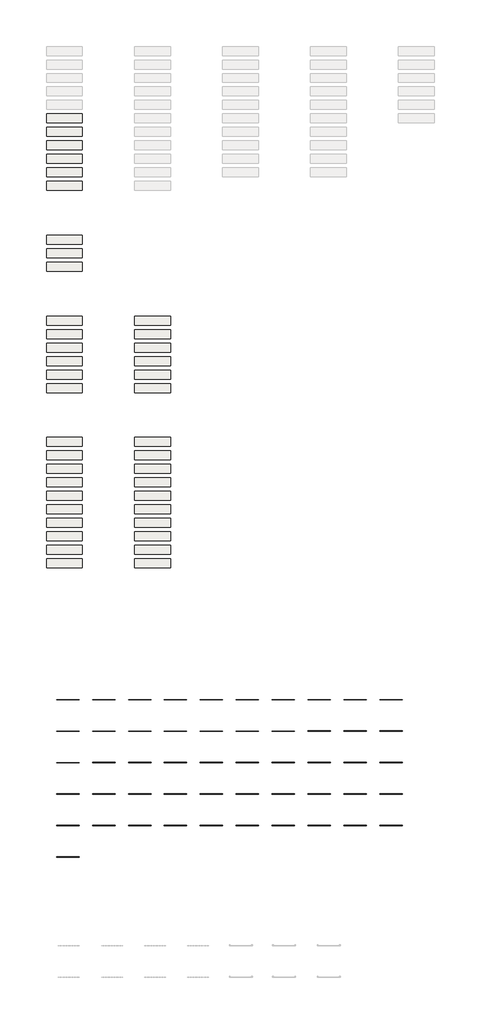
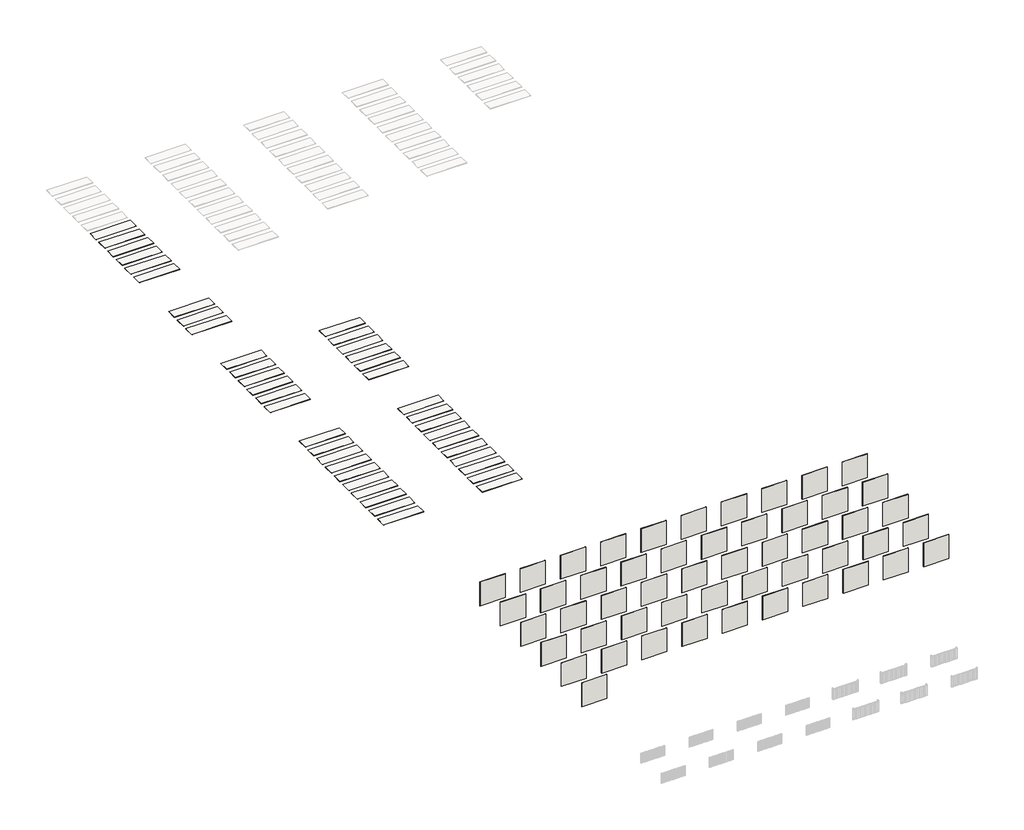
# One storey, part 1 of 2: 51 walls, 41 slabs.
"""IFC4 building model written with IfcOpenShell, lengths in millimetres."""

import ifcopenshell
import ifcopenshell.guid

model = None  # the IFC model being written
_history = None  # IfcOwnerHistory: only IFC2X3 demands one
_inside = {}  # id of a spatial element -> (the spatial element, [elements in it])
_under = {}  # id of a project, library or spatial element -> (it, [spatial elements below it])
_declared = {}  # id of a project -> (the project, [libraries it declares])
_typed = {}  # id of a type object -> (the type object, [elements of that type])
_made_of = {}  # id of a material, layer set ... -> (it, [elements and type objects made of it])


def new_model(schema):
    """Start an empty IFC model of exactly this schema.

    Asked for "IFC4X3", IfcOpenShell would pick the latest addendum, in which some entities
    have other attributes; the version numbers below select the first issue.
    IFC2X3 requires an IfcOwnerHistory on every rooted entity: one is made here for all.
    """
    global model, _history
    if schema == "IFC4X3":
        model = ifcopenshell.file(schema_version=(4, 3, 0, 0))
    else:
        model = ifcopenshell.file(schema=schema)
    _inside.clear()
    _under.clear()
    _declared.clear()
    _typed.clear()
    _made_of.clear()
    _history = None
    if model.schema == "IFC2X3":
        org = make("IfcOrganization", Name="unknown")
        user = make(
            "IfcPersonAndOrganization",
            ThePerson=make("IfcPerson", FamilyName="unknown"),
            TheOrganization=org,
        )
        app = make(
            "IfcApplication",
            ApplicationDeveloper=org,
            Version="unknown",
            ApplicationFullName="unknown",
            ApplicationIdentifier="unknown",
        )
        _history = make(
            "IfcOwnerHistory",
            OwningUser=user,
            OwningApplication=app,
            ChangeAction="ADDED",
            CreationDate=0,
        )
    return model


def make(cls, **values):
    """One entity of the class cls with the attributes given. An attribute that is None is left unset."""
    return model.create_entity(
        cls, **{name: value for name, value in values.items() if value is not None}
    )


def rooted(cls, **values):
    """An entity with a GlobalId (a new one), such as an element, a storey or a relation."""
    return make(cls, GlobalId=ifcopenshell.guid.new(), OwnerHistory=_history, **values)


def si_unit(unit_type, name, prefix=None):
    """IfcSIUnit, for example si_unit("LENGTHUNIT", "METRE", prefix="MILLI")."""
    return make("IfcSIUnit", UnitType=unit_type, Prefix=prefix, Name=name)


def assignment(units):
    """IfcUnitAssignment: the units of a project."""
    return None if units is None else make("IfcUnitAssignment", Units=units)


def point(xyz):
    """IfcCartesianPoint."""
    return None if xyz is None else make("IfcCartesianPoint", Coordinates=xyz)


def direction(xyz):
    """IfcDirection."""
    return None if xyz is None else make("IfcDirection", DirectionRatios=xyz)


def frame(location, z_axis=None, x_axis=None):
    """IfcAxis2Placement3D, a coordinate frame: its origin and axes. An axis left out is left unset."""
    return make(
        "IfcAxis2Placement3D",
        Location=point(location),
        Axis=direction(z_axis),
        RefDirection=direction(x_axis),
    )


def origin():
    """The frame at (0, 0, 0) with its axes left unset."""
    return frame((0.0, 0.0, 0.0))


def origin_with_axes():
    """The frame at (0, 0, 0) with the z axis (0, 0, 1) and the x axis (1, 0, 0) written out."""
    return frame((0.0, 0.0, 0.0), z_axis=(0.0, 0.0, 1.0), x_axis=(1.0, 0.0, 0.0))


def place(relative_to, where):
    """IfcLocalPlacement: puts the frame where relative to a parent placement (None: the world)."""
    return make(
        "IfcLocalPlacement", PlacementRelTo=relative_to, RelativePlacement=where
    )


def context(
    kind, dimensions, precision=None, world=None, true_north=None, identifier=None
):
    """IfcGeometricRepresentationContext, for example the 3D "Model" context."""
    return make(
        "IfcGeometricRepresentationContext",
        ContextIdentifier=identifier,
        ContextType=kind,
        CoordinateSpaceDimension=dimensions,
        Precision=precision,
        WorldCoordinateSystem=world,
        TrueNorth=true_north,
    )


def project(units=None, contexts=None):
    """IfcProject with its units and contexts."""
    return rooted(
        "IfcProject",
        Name="project",
        RepresentationContexts=contexts,
        UnitsInContext=assignment(units),
    )


def spatial(cls, under=None, at=None, **own):
    """A site, building, storey or space (cls), placed at a placement, below another one or the project."""
    s = rooted(cls, ObjectPlacement=at, **own)
    if under is not None:
        _under.setdefault(under.id(), (under, []))[1].append(s)
    return s


def polyline(points):
    """IfcPolyline through the points."""
    return make("IfcPolyline", Points=[point(p) for p in points])


def outline(outer, holes=None, kind="AREA"):
    """IfcArbitraryClosedProfileDef: a profile drawn as a closed curve; with holes, ...WithVoids."""
    if holes is None:
        return make("IfcArbitraryClosedProfileDef", ProfileType=kind, OuterCurve=outer)
    return make(
        "IfcArbitraryProfileDefWithVoids",
        ProfileType=kind,
        OuterCurve=outer,
        InnerCurves=holes,
    )


def extrude(swept, where, along, depth):
    """IfcExtrudedAreaSolid: the profile swept, set in the frame where, extruded along a direction by depth."""
    return make(
        "IfcExtrudedAreaSolid",
        SweptArea=swept,
        Position=where,
        ExtrudedDirection=direction(along),
        Depth=depth,
    )


def shape(context_of_items, identifier, shape_type, items):
    """IfcShapeRepresentation: the items that make up one representation, for example the "Body"."""
    return make(
        "IfcShapeRepresentation",
        ContextOfItems=context_of_items,
        RepresentationIdentifier=identifier,
        RepresentationType=shape_type,
        Items=items,
    )


def made_of(thing, what):
    """Note that an element or type object is made of a material, layer set ...; save() writes the relation."""
    if what is not None:
        _made_of.setdefault(what.id(), (what, []))[1].append(thing)
    return thing


def element(
    cls,
    number,
    at=None,
    inside=None,
    cuts=None,
    type_object=None,
    material=None,
    context=None,
    identifier="Body",
    shape_type=None,
    held_by="IfcProductDefinitionShape",
    body=None,
    shapes=None,
    **own,
):
    """One element of the class cls, such as IfcWall. Its Tag is "e" and its number.

    at: its placement. inside: the storey or other place that contains it. cuts: it is an
    opening in that element (IfcRelVoidsElement). A single representation is given by context,
    identifier, shape_type and body (its items); several are given by shapes. held_by: the class
    of the entity that holds the representations. save() writes the other relations.
    """
    e = rooted(cls, Tag="e%d" % number, ObjectPlacement=at, **own)
    if body is not None:
        shapes = [shape(context, identifier, shape_type, body)]
    if shapes is not None:
        e.Representation = make(held_by, Representations=shapes)
    if inside is not None:
        _inside.setdefault(inside.id(), (inside, []))[1].append(e)
    if cuts is not None:
        rooted(
            "IfcRelVoidsElement", RelatingBuildingElement=cuts, RelatedOpeningElement=e
        )
    if type_object is not None:
        _typed.setdefault(type_object.id(), (type_object, []))[1].append(e)
    return made_of(e, material)


def aggregate(whole, parts):
    """IfcRelAggregates: a whole, such as a stair, and the parts it consists of."""
    return rooted("IfcRelAggregates", RelatingObject=whole, RelatedObjects=parts)


def save(model, path):
    """Write the relations noted so far, then the file.

    IfcRelAggregates (storeys below a building ...), IfcRelContainedInSpatialStructure (elements
    in a storey), IfcRelDefinesByType, IfcRelAssociatesMaterial and IfcRelDeclares: one each for
    every whole, place, type object, material and project.
    """
    for whole, parts in _under.values():
        aggregate(whole, parts)
    for where, things in _inside.values():
        rooted(
            "IfcRelContainedInSpatialStructure",
            RelatedElements=things,
            RelatingStructure=where,
        )
    for kind, things in _typed.values():
        rooted("IfcRelDefinesByType", RelatedObjects=things, RelatingType=kind)
    for what, things in _made_of.values():
        rooted("IfcRelAssociatesMaterial", RelatedObjects=things, RelatingMaterial=what)
    for by, libraries in _declared.values():
        rooted("IfcRelDeclares", RelatingContext=by, RelatedDefinitions=libraries)
    model.write(path)


model = new_model("IFC4")

# Units and contexts
model_context = context("Model", 3, world=origin())
ifc_project = project(units=[si_unit("LENGTHUNIT", "METRE", prefix="MILLI")], contexts=[model_context])

# Site, building, storey
site = spatial("IfcSite", under=ifc_project)
building = spatial("IfcBuilding", under=site)
storey = spatial("IfcBuildingStorey", under=building, Elevation=0.0)

# Slabs
placement = place(None, origin())
element("IfcSlab", 1, at=placement, inside=storey, context=model_context, shape_type="SweptSolid", body=[
    extrude(outline(polyline([(-15117.8106902, 10630.2237223), (-15117.8106902, 9630.2237223), (-19117.8106902, 9630.2237223), (-19117.8106902, 10630.2237223), (-15117.8106902, 10630.2237223)])), frame((0.0, 0.0, -22.0), z_axis=(0.0, 0.0, 1.0), x_axis=(1.0, 0.0, 0.0)), (0.0, 0.0, 1.0), 22.0),
])
element("IfcSlab", 2, at=placement, inside=storey, context=model_context, shape_type="SweptSolid", body=[
    extrude(outline(polyline([(-15117.8106902, 9130.2237223), (-15117.8106902, 8130.2237223), (-19117.8106902, 8130.2237223), (-19117.8106902, 9130.2237223), (-15117.8106902, 9130.2237223)])), frame((0.0, 0.0, -22.0), z_axis=(0.0, 0.0, 1.0), x_axis=(1.0, 0.0, 0.0)), (0.0, 0.0, 1.0), 22.0),
])
element("IfcSlab", 3, at=placement, inside=storey, context=model_context, shape_type="SweptSolid", body=[
    extrude(outline(polyline([(-15117.8106902, 7630.2237223), (-15117.8106902, 6630.2237223), (-19117.8106902, 6630.2237223), (-19117.8106902, 7630.2237223), (-15117.8106902, 7630.2237223)])), frame((0.0, 0.0, -22.0), z_axis=(0.0, 0.0, 1.0), x_axis=(1.0, 0.0, 0.0)), (0.0, 0.0, 1.0), 22.0),
])
element("IfcSlab", 4, at=placement, inside=storey, context=model_context, shape_type="SweptSolid", body=[
    extrude(outline(polyline([(-15117.8106902, 3130.2237223), (-15117.8106902, 2130.2237223), (-19117.8106902, 2130.2237223), (-19117.8106902, 3130.2237223), (-15117.8106902, 3130.2237223)])), frame((0.0, 0.0, -22.0), z_axis=(0.0, 0.0, 1.0), x_axis=(1.0, 0.0, 0.0)), (0.0, 0.0, 1.0), 22.0),
])
element("IfcSlab", 5, at=placement, inside=storey, context=model_context, shape_type="SweptSolid", body=[
    extrude(outline(polyline([(-15117.8106902, -2869.9837333), (-15117.8106902, -3869.9837333), (-19117.8106902, -3869.9837333), (-19117.8106902, -2869.9837333), (-15117.8106902, -2869.9837333)])), frame((0.0, 0.0, -22.0), z_axis=(0.0, 0.0, 1.0), x_axis=(1.0, 0.0, 0.0)), (0.0, 0.0, 1.0), 22.0),
])
element("IfcSlab", 6, at=placement, inside=storey, context=model_context, shape_type="SweptSolid", body=[
    extrude(outline(polyline([(-15117.8106902, -4369.9837333), (-15117.8106902, -5369.9837333), (-19117.8106902, -5369.9837333), (-19117.8106902, -4369.9837333), (-15117.8106902, -4369.9837333)])), frame((0.0, 0.0, -22.0), z_axis=(0.0, 0.0, 1.0), x_axis=(1.0, 0.0, 0.0)), (0.0, 0.0, 1.0), 22.0),
])
element("IfcSlab", 7, at=placement, inside=storey, context=model_context, shape_type="SweptSolid", body=[
    extrude(outline(polyline([(-15117.8106902, -5869.9837333), (-15117.8106902, -6869.9837333), (-19117.8106902, -6869.9837333), (-19117.8106902, -5869.9837333), (-15117.8106902, -5869.9837333)])), frame((0.0, 0.0, -22.0), z_axis=(0.0, 0.0, 1.0), x_axis=(1.0, 0.0, 0.0)), (0.0, 0.0, 1.0), 22.0),
])
element("IfcSlab", 8, at=placement, inside=storey, context=model_context, shape_type="SweptSolid", body=[
    extrude(outline(polyline([(-15117.8106902, -14869.9837333), (-15117.8106902, -15869.9837333), (-19117.8106902, -15869.9837333), (-19117.8106902, -14869.9837333), (-15117.8106902, -14869.9837333)])), frame((0.0, 0.0, -22.0), z_axis=(0.0, 0.0, 1.0), x_axis=(1.0, 0.0, 0.0)), (0.0, 0.0, 1.0), 22.0),
])
element("IfcSlab", 9, at=placement, inside=storey, context=model_context, shape_type="SweptSolid", body=[
    extrude(outline(polyline([(-15117.8106902, -16369.9837333), (-15117.8106902, -17369.9837333), (-19117.8106902, -17369.9837333), (-19117.8106902, -16369.9837333), (-15117.8106902, -16369.9837333)])), frame((0.0, 0.0, -22.0), z_axis=(0.0, 0.0, 1.0), x_axis=(1.0, 0.0, 0.0)), (0.0, 0.0, 1.0), 22.0),
])
element("IfcSlab", 10, at=placement, inside=storey, context=model_context, shape_type="SweptSolid", body=[
    extrude(outline(polyline([(-15117.8106902, -19369.9837333), (-15117.8106902, -20369.9837333), (-19117.8106902, -20369.9837333), (-19117.8106902, -19369.9837333), (-15117.8106902, -19369.9837333)])), frame((0.0, 0.0, -22.0), z_axis=(0.0, 0.0, 1.0), x_axis=(1.0, 0.0, 0.0)), (0.0, 0.0, 1.0), 22.0),
])
element("IfcSlab", 11, at=placement, inside=storey, context=model_context, shape_type="SweptSolid", body=[
    extrude(outline(polyline([(-5317.8106902, -14869.9837333), (-5317.8106902, -15869.9837333), (-9317.8106902, -15869.9837333), (-9317.8106902, -14869.9837333), (-5317.8106902, -14869.9837333)])), frame((0.0, 0.0, -22.0), z_axis=(0.0, 0.0, 1.0), x_axis=(1.0, 0.0, 0.0)), (0.0, 0.0, 1.0), 22.0),
])
element("IfcSlab", 12, at=placement, inside=storey, context=model_context, shape_type="SweptSolid", body=[
    extrude(outline(polyline([(-5317.8106902, -16369.9837333), (-5317.8106902, -17369.9837333), (-9317.8106902, -17369.9837333), (-9317.8106902, -16369.9837333), (-5317.8106902, -16369.9837333)])), frame((0.0, 0.0, -22.0), z_axis=(0.0, 0.0, 1.0), x_axis=(1.0, 0.0, 0.0)), (0.0, 0.0, 1.0), 22.0),
])
element("IfcSlab", 13, at=placement, inside=storey, context=model_context, shape_type="SweptSolid", body=[
    extrude(outline(polyline([(-5317.8106902, -19369.9837333), (-5317.8106902, -20369.9837333), (-9317.8106902, -20369.9837333), (-9317.8106902, -19369.9837333), (-5317.8106902, -19369.9837333)])), frame((0.0, 0.0, -22.0), z_axis=(0.0, 0.0, 1.0), x_axis=(1.0, 0.0, 0.0)), (0.0, 0.0, 1.0), 22.0),
])
element("IfcSlab", 14, at=placement, inside=storey, context=model_context, shape_type="SweptSolid", body=[
    extrude(outline(polyline([(-15117.8106902, -25369.7762777), (-15117.8106902, -26369.7762777), (-19117.8106902, -26369.7762777), (-19117.8106902, -25369.7762777), (-15117.8106902, -25369.7762777)])), frame((0.0, 0.0, -22.0), z_axis=(0.0, 0.0, 1.0), x_axis=(1.0, 0.0, 0.0)), (0.0, 0.0, 1.0), 22.0),
])
element("IfcSlab", 15, at=placement, inside=storey, context=model_context, shape_type="SweptSolid", body=[
    extrude(outline(polyline([(-15117.8106902, -26869.7762777), (-15117.8106902, -27869.7762777), (-19117.8106902, -27869.7762777), (-19117.8106902, -26869.7762777), (-15117.8106902, -26869.7762777)])), frame((0.0, 0.0, -22.0), z_axis=(0.0, 0.0, 1.0), x_axis=(1.0, 0.0, 0.0)), (0.0, 0.0, 1.0), 22.0),
])
element("IfcSlab", 16, at=placement, inside=storey, context=model_context, shape_type="SweptSolid", body=[
    extrude(outline(polyline([(-15117.8106902, -28369.7762777), (-15117.8106902, -29369.7762777), (-19117.8106902, -29369.7762777), (-19117.8106902, -28369.7762777), (-15117.8106902, -28369.7762777)])), frame((0.0, 0.0, -22.0), z_axis=(0.0, 0.0, 1.0), x_axis=(1.0, 0.0, 0.0)), (0.0, 0.0, 1.0), 22.0),
])
element("IfcSlab", 17, at=placement, inside=storey, context=model_context, shape_type="SweptSolid", body=[
    extrude(outline(polyline([(-15117.8106902, -29869.7762777), (-15117.8106902, -30869.7762777), (-19117.8106902, -30869.7762777), (-19117.8106902, -29869.7762777), (-15117.8106902, -29869.7762777)])), frame((0.0, 0.0, -22.0), z_axis=(0.0, 0.0, 1.0), x_axis=(1.0, 0.0, 0.0)), (0.0, 0.0, 1.0), 22.0),
])
element("IfcSlab", 18, at=placement, inside=storey, context=model_context, shape_type="SweptSolid", body=[
    extrude(outline(polyline([(-15117.8106902, -31369.7762777), (-15117.8106902, -32369.7762777), (-19117.8106902, -32369.7762777), (-19117.8106902, -31369.7762777), (-15117.8106902, -31369.7762777)])), frame((0.0, 0.0, -22.0), z_axis=(0.0, 0.0, 1.0), x_axis=(1.0, 0.0, 0.0)), (0.0, 0.0, 1.0), 22.0),
])
element("IfcSlab", 19, at=placement, inside=storey, context=model_context, shape_type="SweptSolid", body=[
    extrude(outline(polyline([(-15117.8106902, -32869.7762777), (-15117.8106902, -33869.7762777), (-19117.8106902, -33869.7762777), (-19117.8106902, -32869.7762777), (-15117.8106902, -32869.7762777)])), frame((0.0, 0.0, -22.0), z_axis=(0.0, 0.0, 1.0), x_axis=(1.0, 0.0, 0.0)), (0.0, 0.0, 1.0), 22.0),
])
element("IfcSlab", 20, at=placement, inside=storey, context=model_context, shape_type="SweptSolid", body=[
    extrude(outline(polyline([(-15117.8106902, -34369.7762777), (-15117.8106902, -35369.7762777), (-19117.8106902, -35369.7762777), (-19117.8106902, -34369.7762777), (-15117.8106902, -34369.7762777)])), frame((0.0, 0.0, -22.0), z_axis=(0.0, 0.0, 1.0), x_axis=(1.0, 0.0, 0.0)), (0.0, 0.0, 1.0), 22.0),
])
element("IfcSlab", 21, at=placement, inside=storey, context=model_context, shape_type="SweptSolid", body=[
    extrude(outline(polyline([(-15117.8106902, -35869.7762777), (-15117.8106902, -36869.7762777), (-19117.8106902, -36869.7762777), (-19117.8106902, -35869.7762777), (-15117.8106902, -35869.7762777)])), frame((0.0, 0.0, -22.0), z_axis=(0.0, 0.0, 1.0), x_axis=(1.0, 0.0, 0.0)), (0.0, 0.0, 1.0), 22.0),
])
element("IfcSlab", 22, at=placement, inside=storey, context=model_context, shape_type="SweptSolid", body=[
    extrude(outline(polyline([(-15117.8106902, -37369.7762777), (-15117.8106902, -38369.7762777), (-19117.8106902, -38369.7762777), (-19117.8106902, -37369.7762777), (-15117.8106902, -37369.7762777)])), frame((0.0, 0.0, -22.0), z_axis=(0.0, 0.0, 1.0), x_axis=(1.0, 0.0, 0.0)), (0.0, 0.0, 1.0), 22.0),
])
element("IfcSlab", 23, at=placement, inside=storey, context=model_context, shape_type="SweptSolid", body=[
    extrude(outline(polyline([(-15117.8106902, -38869.7762777), (-15117.8106902, -39869.7762777), (-19117.8106902, -39869.7762777), (-19117.8106902, -38869.7762777), (-15117.8106902, -38869.7762777)])), frame((0.0, 0.0, -22.0), z_axis=(0.0, 0.0, 1.0), x_axis=(1.0, 0.0, 0.0)), (0.0, 0.0, 1.0), 22.0),
])
element("IfcSlab", 24, at=placement, inside=storey, context=model_context, shape_type="SweptSolid", body=[
    extrude(outline(polyline([(-5317.8106902, -25369.7762777), (-5317.8106902, -26369.7762777), (-9317.8106902, -26369.7762777), (-9317.8106902, -25369.7762777), (-5317.8106902, -25369.7762777)])), frame((0.0, 0.0, -22.0), z_axis=(0.0, 0.0, 1.0), x_axis=(1.0, 0.0, 0.0)), (0.0, 0.0, 1.0), 22.0),
])
element("IfcSlab", 25, at=placement, inside=storey, context=model_context, shape_type="SweptSolid", body=[
    extrude(outline(polyline([(-5317.8106902, -26869.7762777), (-5317.8106902, -27869.7762777), (-9317.8106902, -27869.7762777), (-9317.8106902, -26869.7762777), (-5317.8106902, -26869.7762777)])), frame((0.0, 0.0, -22.0), z_axis=(0.0, 0.0, 1.0), x_axis=(1.0, 0.0, 0.0)), (0.0, 0.0, 1.0), 22.0),
])
element("IfcSlab", 26, at=placement, inside=storey, context=model_context, shape_type="SweptSolid", body=[
    extrude(outline(polyline([(-5317.8106902, -28369.7762777), (-5317.8106902, -29369.7762777), (-9317.8106902, -29369.7762777), (-9317.8106902, -28369.7762777), (-5317.8106902, -28369.7762777)])), frame((0.0, 0.0, -22.0), z_axis=(0.0, 0.0, 1.0), x_axis=(1.0, 0.0, 0.0)), (0.0, 0.0, 1.0), 22.0),
])
element("IfcSlab", 27, at=placement, inside=storey, context=model_context, shape_type="SweptSolid", body=[
    extrude(outline(polyline([(-5317.8106902, -29869.7762777), (-5317.8106902, -30869.7762777), (-9317.8106902, -30869.7762777), (-9317.8106902, -29869.7762777), (-5317.8106902, -29869.7762777)])), frame((0.0, 0.0, -22.0), z_axis=(0.0, 0.0, 1.0), x_axis=(1.0, 0.0, 0.0)), (0.0, 0.0, 1.0), 22.0),
])
element("IfcSlab", 28, at=placement, inside=storey, context=model_context, shape_type="SweptSolid", body=[
    extrude(outline(polyline([(-5317.8106902, -31369.7762777), (-5317.8106902, -32369.7762777), (-9317.8106902, -32369.7762777), (-9317.8106902, -31369.7762777), (-5317.8106902, -31369.7762777)])), frame((0.0, 0.0, -22.0), z_axis=(0.0, 0.0, 1.0), x_axis=(1.0, 0.0, 0.0)), (0.0, 0.0, 1.0), 22.0),
])
element("IfcSlab", 29, at=placement, inside=storey, context=model_context, shape_type="SweptSolid", body=[
    extrude(outline(polyline([(-5317.8106902, -32869.7762777), (-5317.8106902, -33869.7762777), (-9317.8106902, -33869.7762777), (-9317.8106902, -32869.7762777), (-5317.8106902, -32869.7762777)])), frame((0.0, 0.0, -22.0), z_axis=(0.0, 0.0, 1.0), x_axis=(1.0, 0.0, 0.0)), (0.0, 0.0, 1.0), 22.0),
])
element("IfcSlab", 30, at=placement, inside=storey, context=model_context, shape_type="SweptSolid", body=[
    extrude(outline(polyline([(-5317.8106902, -34369.7762777), (-5317.8106902, -35369.7762777), (-9317.8106902, -35369.7762777), (-9317.8106902, -34369.7762777), (-5317.8106902, -34369.7762777)])), frame((0.0, 0.0, -22.0), z_axis=(0.0, 0.0, 1.0), x_axis=(1.0, 0.0, 0.0)), (0.0, 0.0, 1.0), 22.0),
])
element("IfcSlab", 31, at=placement, inside=storey, context=model_context, shape_type="SweptSolid", body=[
    extrude(outline(polyline([(-5317.8106902, -35869.7762777), (-5317.8106902, -36869.7762777), (-9317.8106902, -36869.7762777), (-9317.8106902, -35869.7762777), (-5317.8106902, -35869.7762777)])), frame((0.0, 0.0, -22.0), z_axis=(0.0, 0.0, 1.0), x_axis=(1.0, 0.0, 0.0)), (0.0, 0.0, 1.0), 22.0),
])
element("IfcSlab", 32, at=placement, inside=storey, context=model_context, shape_type="SweptSolid", body=[
    extrude(outline(polyline([(-5317.8106902, -37369.7762777), (-5317.8106902, -38369.7762777), (-9317.8106902, -38369.7762777), (-9317.8106902, -37369.7762777), (-5317.8106902, -37369.7762777)])), frame((0.0, 0.0, -22.0), z_axis=(0.0, 0.0, 1.0), x_axis=(1.0, 0.0, 0.0)), (0.0, 0.0, 1.0), 22.0),
])
element("IfcSlab", 33, at=placement, inside=storey, context=model_context, shape_type="SweptSolid", body=[
    extrude(outline(polyline([(-5317.8106902, -38869.7762777), (-5317.8106902, -39869.7762777), (-9317.8106902, -39869.7762777), (-9317.8106902, -38869.7762777), (-5317.8106902, -38869.7762777)])), frame((0.0, 0.0, -22.0), z_axis=(0.0, 0.0, 1.0), x_axis=(1.0, 0.0, 0.0)), (0.0, 0.0, 1.0), 22.0),
])
element("IfcSlab", 34, ObjectType="137 Classic Forest - Inox", at=placement, inside=storey, context=model_context, shape_type="SweptSolid", body=[
    extrude(outline(polyline([(-15117.8106902, 6130.2237223), (-15117.8106902, 5130.2237223), (-19117.8106902, 5130.2237223), (-19117.8106902, 6130.2237223), (-15117.8106902, 6130.2237223)])), frame((0.0, 0.0, -22.0), z_axis=(0.0, 0.0, 1.0), x_axis=(1.0, 0.0, 0.0)), (0.0, 0.0, 1.0), 22.0),
])
element("IfcSlab", 35, ObjectType="137 Classic Forest - Patina Plus", at=placement, inside=storey, context=model_context, shape_type="SweptSolid", body=[
    extrude(outline(polyline([(-15117.8106902, 4630.2237223), (-15117.8106902, 3630.2237223), (-19117.8106902, 3630.2237223), (-19117.8106902, 4630.2237223), (-15117.8106902, 4630.2237223)])), frame((0.0, 0.0, -22.0), z_axis=(0.0, 0.0, 1.0), x_axis=(1.0, 0.0, 0.0)), (0.0, 0.0, 1.0), 22.0),
])
element("IfcSlab", 36, ObjectType="195 Max Forest - Cedar", at=placement, inside=storey, context=model_context, shape_type="SweptSolid", body=[
    extrude(outline(polyline([(-15117.8106902, -11869.9837333), (-15117.8106902, -12869.9837333), (-19117.8106902, -12869.9837333), (-19117.8106902, -11869.9837333), (-15117.8106902, -11869.9837333)])), frame((0.0, 0.0, -22.0), z_axis=(0.0, 0.0, 1.0), x_axis=(1.0, 0.0, 0.0)), (0.0, 0.0, 1.0), 22.0),
])
element("IfcSlab", 37, ObjectType="195 Max Forest - Inox", at=placement, inside=storey, context=model_context, shape_type="SweptSolid", body=[
    extrude(outline(polyline([(-15117.8106902, -17869.9837333), (-15117.8106902, -18869.9837333), (-19117.8106902, -18869.9837333), (-19117.8106902, -17869.9837333), (-15117.8106902, -17869.9837333)])), frame((0.0, 0.0, -22.0), z_axis=(0.0, 0.0, 1.0), x_axis=(1.0, 0.0, 0.0)), (0.0, 0.0, 1.0), 22.0),
])
element("IfcSlab", 38, ObjectType="195 Max Forest - Teak", at=placement, inside=storey, context=model_context, shape_type="SweptSolid", body=[
    extrude(outline(polyline([(-15117.8106902, -13369.9837333), (-15117.8106902, -14369.9837333), (-19117.8106902, -14369.9837333), (-19117.8106902, -13369.9837333), (-15117.8106902, -13369.9837333)])), frame((0.0, 0.0, -22.0), z_axis=(0.0, 0.0, 1.0), x_axis=(1.0, 0.0, 0.0)), (0.0, 0.0, 1.0), 22.0),
])
element("IfcSlab", 39, ObjectType="195 Max Rustic - Cedar", at=placement, inside=storey, context=model_context, shape_type="SweptSolid", body=[
    extrude(outline(polyline([(-5317.8106902, -11869.9837333), (-5317.8106902, -12869.9837333), (-9317.8106902, -12869.9837333), (-9317.8106902, -11869.9837333), (-5317.8106902, -11869.9837333)])), frame((0.0, 0.0, -22.0), z_axis=(0.0, 0.0, 1.0), x_axis=(1.0, 0.0, 0.0)), (0.0, 0.0, 1.0), 22.0),
])
element("IfcSlab", 40, ObjectType="195 Max Rustic - Inox", at=placement, inside=storey, context=model_context, shape_type="SweptSolid", body=[
    extrude(outline(polyline([(-5317.8106902, -17869.9837333), (-5317.8106902, -18869.9837333), (-9317.8106902, -18869.9837333), (-9317.8106902, -17869.9837333), (-5317.8106902, -17869.9837333)])), frame((0.0, 0.0, -22.0), z_axis=(0.0, 0.0, 1.0), x_axis=(1.0, 0.0, 0.0)), (0.0, 0.0, 1.0), 22.0),
])
element("IfcSlab", 41, ObjectType="195 Max Rustic - Teak", at=placement, inside=storey, context=model_context, shape_type="SweptSolid", body=[
    extrude(outline(polyline([(-5317.8106902, -13369.9837333), (-5317.8106902, -14369.9837333), (-9317.8106902, -14369.9837333), (-9317.8106902, -13369.9837333), (-5317.8106902, -13369.9837333)])), frame((0.0, 0.0, -22.0), z_axis=(0.0, 0.0, 1.0), x_axis=(1.0, 0.0, 0.0)), (0.0, 0.0, 1.0), 22.0),
])

# Walls
element("IfcWall", 42, at=placement, inside=storey, context=model_context, shape_type="SweptSolid", body=[
    extrude(outline(polyline([(-15493.0815608, -65053.8136665), (-17993.0815608, -65053.8136665), (-17993.0815608, -65039.8136665), (-15493.0815608, -65039.8136665), (-15493.0815608, -65053.8136665)])), origin_with_axes(), (0.0, 0.0, 1.0), 2500.0),
])
element("IfcWall", 43, at=placement, inside=storey, context=model_context, shape_type="SweptSolid", body=[
    extrude(outline(polyline([(-11493.0815608, -65058.3136665), (-13993.0815608, -65058.3136665), (-13993.0815608, -65035.3136665), (-11493.0815608, -65035.3136665), (-11493.0815608, -65058.3136665)])), origin_with_axes(), (0.0, 0.0, 1.0), 2500.0),
])
element("IfcWall", 44, at=placement, inside=storey, context=model_context, shape_type="SweptSolid", body=[
    extrude(outline(polyline([(-15493.0815608, -61553.8136665), (-17993.0815608, -61553.8136665), (-17993.0815608, -61539.8136665), (-15493.0815608, -61539.8136665), (-15493.0815608, -61553.8136665)])), origin_with_axes(), (0.0, 0.0, 1.0), 2500.0),
])
element("IfcWall", 45, at=placement, inside=storey, context=model_context, shape_type="SweptSolid", body=[
    extrude(outline(polyline([(-7493.0815608, -54558.3136665), (-9993.0815608, -54558.3136665), (-9993.0815608, -54535.3136665), (-7493.0815608, -54535.3136665), (-7493.0815608, -54558.3136665)])), origin_with_axes(), (0.0, 0.0, 1.0), 2500.0),
])
element("IfcWall", 46, at=placement, inside=storey, context=model_context, shape_type="SweptSolid", body=[
    extrude(outline(polyline([(-3493.0815608, -54558.3136665), (-5993.0815608, -54558.3136665), (-5993.0815608, -54535.3136665), (-3493.0815608, -54535.3136665), (-3493.0815608, -54558.3136665)])), origin_with_axes(), (0.0, 0.0, 1.0), 2500.0),
])
element("IfcWall", 47, at=placement, inside=storey, context=model_context, shape_type="SweptSolid", body=[
    extrude(outline(polyline([(506.9184392, -54558.3136665), (-1993.0815608, -54558.3136665), (-1993.0815608, -54535.3136665), (506.9184392, -54535.3136665), (506.9184392, -54558.3136665)])), origin_with_axes(), (0.0, 0.0, 1.0), 2500.0),
])
element("IfcWall", 48, at=placement, inside=storey, context=model_context, shape_type="SweptSolid", body=[
    extrude(outline(polyline([(4506.9184392, -54558.3136665), (2006.9184392, -54558.3136665), (2006.9184392, -54535.3136665), (4506.9184392, -54535.3136665), (4506.9184392, -54558.3136665)])), origin_with_axes(), (0.0, 0.0, 1.0), 2500.0),
])
element("IfcWall", 49, at=placement, inside=storey, context=model_context, shape_type="SweptSolid", body=[
    extrude(outline(polyline([(8506.9184392, -54558.3136665), (6006.9184392, -54558.3136665), (6006.9184392, -54535.3136665), (8506.9184392, -54535.3136665), (8506.9184392, -54558.3136665)])), origin_with_axes(), (0.0, 0.0, 1.0), 2500.0),
])
element("IfcWall", 50, at=placement, inside=storey, context=model_context, shape_type="SweptSolid", body=[
    extrude(outline(polyline([(12506.9184392, -54567.3136665), (10006.9184392, -54567.3136665), (10006.9184392, -54526.3136665), (12506.9184392, -54526.3136665), (12506.9184392, -54567.3136665)])), origin_with_axes(), (0.0, 0.0, 1.0), 2500.0),
])
element("IfcWall", 51, at=placement, inside=storey, context=model_context, shape_type="SweptSolid", body=[
    extrude(outline(polyline([(16506.9184392, -54567.3136665), (14006.9184392, -54567.3136665), (14006.9184392, -54526.3136665), (16506.9184392, -54526.3136665), (16506.9184392, -54567.3136665)])), origin_with_axes(), (0.0, 0.0, 1.0), 2500.0),
])
element("IfcWall", 52, at=placement, inside=storey, context=model_context, shape_type="SweptSolid", body=[
    extrude(outline(polyline([(20506.9184392, -54567.3136665), (18006.9184392, -54567.3136665), (18006.9184392, -54526.3136665), (20506.9184392, -54526.3136665), (20506.9184392, -54567.3136665)])), origin_with_axes(), (0.0, 0.0, 1.0), 2500.0),
])
element("IfcWall", 53, at=placement, inside=storey, context=model_context, shape_type="SweptSolid", body=[
    extrude(outline(polyline([(-15493.0815608, -72053.8136665), (-17993.0815608, -72053.8136665), (-17993.0815608, -72039.8136665), (-15493.0815608, -72039.8136665), (-15493.0815608, -72053.8136665)])), origin_with_axes(), (0.0, 0.0, 1.0), 2500.0),
])
element("IfcWall", 54, at=placement, inside=storey, context=model_context, shape_type="SweptSolid", body=[
    extrude(outline(polyline([(-11493.0815608, -68558.3136665), (-13993.0815608, -68558.3136665), (-13993.0815608, -68535.3136665), (-11493.0815608, -68535.3136665), (-11493.0815608, -68558.3136665)])), origin_with_axes(), (0.0, 0.0, 1.0), 2500.0),
])
element("IfcWall", 55, at=placement, inside=storey, context=model_context, shape_type="SweptSolid", body=[
    extrude(outline(polyline([(-7493.0815608, -58058.3136665), (-9993.0815608, -58058.3136665), (-9993.0815608, -58035.3136665), (-7493.0815608, -58035.3136665), (-7493.0815608, -58058.3136665)])), origin_with_axes(), (0.0, 0.0, 1.0), 2500.0),
])
element("IfcWall", 56, at=placement, inside=storey, context=model_context, shape_type="SweptSolid", body=[
    extrude(outline(polyline([(-7493.0815608, -61558.3136665), (-9993.0815608, -61558.3136665), (-9993.0815608, -61535.3136665), (-7493.0815608, -61535.3136665), (-7493.0815608, -61558.3136665)])), origin_with_axes(), (0.0, 0.0, 1.0), 2500.0),
])
element("IfcWall", 57, at=placement, inside=storey, context=model_context, shape_type="SweptSolid", body=[
    extrude(outline(polyline([(-7493.0815608, -65058.3136665), (-9993.0815608, -65058.3136665), (-9993.0815608, -65035.3136665), (-7493.0815608, -65035.3136665), (-7493.0815608, -65058.3136665)])), origin_with_axes(), (0.0, 0.0, 1.0), 2500.0),
])
element("IfcWall", 58, at=placement, inside=storey, context=model_context, shape_type="SweptSolid", body=[
    extrude(outline(polyline([(-7493.0815608, -68558.3136665), (-9993.0815608, -68558.3136665), (-9993.0815608, -68535.3136665), (-7493.0815608, -68535.3136665), (-7493.0815608, -68558.3136665)])), origin_with_axes(), (0.0, 0.0, 1.0), 2500.0),
])
element("IfcWall", 59, at=placement, inside=storey, context=model_context, shape_type="SweptSolid", body=[
    extrude(outline(polyline([(-3493.0815608, -58058.3136665), (-5993.0815608, -58058.3136665), (-5993.0815608, -58035.3136665), (-3493.0815608, -58035.3136665), (-3493.0815608, -58058.3136665)])), origin_with_axes(), (0.0, 0.0, 1.0), 2500.0),
])
element("IfcWall", 60, at=placement, inside=storey, context=model_context, shape_type="SweptSolid", body=[
    extrude(outline(polyline([(-3493.0815608, -61558.3136665), (-5993.0815608, -61558.3136665), (-5993.0815608, -61535.3136665), (-3493.0815608, -61535.3136665), (-3493.0815608, -61558.3136665)])), origin_with_axes(), (0.0, 0.0, 1.0), 2500.0),
])
element("IfcWall", 61, at=placement, inside=storey, context=model_context, shape_type="SweptSolid", body=[
    extrude(outline(polyline([(-3493.0815608, -65058.3136665), (-5993.0815608, -65058.3136665), (-5993.0815608, -65035.3136665), (-3493.0815608, -65035.3136665), (-3493.0815608, -65058.3136665)])), origin_with_axes(), (0.0, 0.0, 1.0), 2500.0),
])
element("IfcWall", 62, at=placement, inside=storey, context=model_context, shape_type="SweptSolid", body=[
    extrude(outline(polyline([(-3493.0815608, -68558.3136665), (-5993.0815608, -68558.3136665), (-5993.0815608, -68535.3136665), (-3493.0815608, -68535.3136665), (-3493.0815608, -68558.3136665)])), origin_with_axes(), (0.0, 0.0, 1.0), 2500.0),
])
element("IfcWall", 63, at=placement, inside=storey, context=model_context, shape_type="SweptSolid", body=[
    extrude(outline(polyline([(506.9184392, -58058.3136665), (-1993.0815608, -58058.3136665), (-1993.0815608, -58035.3136665), (506.9184392, -58035.3136665), (506.9184392, -58058.3136665)])), origin_with_axes(), (0.0, 0.0, 1.0), 2500.0),
])
element("IfcWall", 64, at=placement, inside=storey, context=model_context, shape_type="SweptSolid", body=[
    extrude(outline(polyline([(506.9184392, -61558.3136665), (-1993.0815608, -61558.3136665), (-1993.0815608, -61535.3136665), (506.9184392, -61535.3136665), (506.9184392, -61558.3136665)])), origin_with_axes(), (0.0, 0.0, 1.0), 2500.0),
])
element("IfcWall", 65, at=placement, inside=storey, context=model_context, shape_type="SweptSolid", body=[
    extrude(outline(polyline([(506.9184392, -65058.3136665), (-1993.0815608, -65058.3136665), (-1993.0815608, -65035.3136665), (506.9184392, -65035.3136665), (506.9184392, -65058.3136665)])), origin_with_axes(), (0.0, 0.0, 1.0), 2500.0),
])
element("IfcWall", 66, at=placement, inside=storey, context=model_context, shape_type="SweptSolid", body=[
    extrude(outline(polyline([(506.9184392, -68558.3136665), (-1993.0815608, -68558.3136665), (-1993.0815608, -68535.3136665), (506.9184392, -68535.3136665), (506.9184392, -68558.3136665)])), origin_with_axes(), (0.0, 0.0, 1.0), 2500.0),
])
element("IfcWall", 67, at=placement, inside=storey, context=model_context, shape_type="SweptSolid", body=[
    extrude(outline(polyline([(4506.9184392, -58058.3136665), (2006.9184392, -58058.3136665), (2006.9184392, -58035.3136665), (4506.9184392, -58035.3136665), (4506.9184392, -58058.3136665)])), origin_with_axes(), (0.0, 0.0, 1.0), 2500.0),
])
element("IfcWall", 68, at=placement, inside=storey, context=model_context, shape_type="SweptSolid", body=[
    extrude(outline(polyline([(4506.9184392, -61558.3136665), (2006.9184392, -61558.3136665), (2006.9184392, -61535.3136665), (4506.9184392, -61535.3136665), (4506.9184392, -61558.3136665)])), origin_with_axes(), (0.0, 0.0, 1.0), 2500.0),
])
element("IfcWall", 69, at=placement, inside=storey, context=model_context, shape_type="SweptSolid", body=[
    extrude(outline(polyline([(4506.9184392, -65058.3136665), (2006.9184392, -65058.3136665), (2006.9184392, -65035.3136665), (4506.9184392, -65035.3136665), (4506.9184392, -65058.3136665)])), origin_with_axes(), (0.0, 0.0, 1.0), 2500.0),
])
element("IfcWall", 70, at=placement, inside=storey, context=model_context, shape_type="SweptSolid", body=[
    extrude(outline(polyline([(4506.9184392, -68558.3136665), (2006.9184392, -68558.3136665), (2006.9184392, -68535.3136665), (4506.9184392, -68535.3136665), (4506.9184392, -68558.3136665)])), origin_with_axes(), (0.0, 0.0, 1.0), 2500.0),
])
element("IfcWall", 71, at=placement, inside=storey, context=model_context, shape_type="SweptSolid", body=[
    extrude(outline(polyline([(8506.9184392, -58058.3136665), (6006.9184392, -58058.3136665), (6006.9184392, -58035.3136665), (8506.9184392, -58035.3136665), (8506.9184392, -58058.3136665)])), origin_with_axes(), (0.0, 0.0, 1.0), 2500.0),
])
element("IfcWall", 72, at=placement, inside=storey, context=model_context, shape_type="SweptSolid", body=[
    extrude(outline(polyline([(8506.9184392, -61558.3136665), (6006.9184392, -61558.3136665), (6006.9184392, -61535.3136665), (8506.9184392, -61535.3136665), (8506.9184392, -61558.3136665)])), origin_with_axes(), (0.0, 0.0, 1.0), 2500.0),
])
element("IfcWall", 73, at=placement, inside=storey, context=model_context, shape_type="SweptSolid", body=[
    extrude(outline(polyline([(8506.9184392, -65058.3136665), (6006.9184392, -65058.3136665), (6006.9184392, -65035.3136665), (8506.9184392, -65035.3136665), (8506.9184392, -65058.3136665)])), origin_with_axes(), (0.0, 0.0, 1.0), 2500.0),
])
element("IfcWall", 74, at=placement, inside=storey, context=model_context, shape_type="SweptSolid", body=[
    extrude(outline(polyline([(8506.9184392, -68558.3136665), (6006.9184392, -68558.3136665), (6006.9184392, -68535.3136665), (8506.9184392, -68535.3136665), (8506.9184392, -68558.3136665)])), origin_with_axes(), (0.0, 0.0, 1.0), 2500.0),
])
element("IfcWall", 75, at=placement, inside=storey, context=model_context, shape_type="SweptSolid", body=[
    extrude(outline(polyline([(12506.9184392, -58067.3136665), (10006.9184392, -58067.3136665), (10006.9184392, -58026.3136665), (12506.9184392, -58026.3136665), (12506.9184392, -58067.3136665)])), origin_with_axes(), (0.0, 0.0, 1.0), 2500.0),
])
element("IfcWall", 76, at=placement, inside=storey, context=model_context, shape_type="SweptSolid", body=[
    extrude(outline(polyline([(12506.9184392, -61567.3136665), (10006.9184392, -61567.3136665), (10006.9184392, -61526.3136665), (12506.9184392, -61526.3136665), (12506.9184392, -61567.3136665)])), origin_with_axes(), (0.0, 0.0, 1.0), 2500.0),
])
element("IfcWall", 77, at=placement, inside=storey, context=model_context, shape_type="SweptSolid", body=[
    extrude(outline(polyline([(12506.9184392, -65067.3136665), (10006.9184392, -65067.3136665), (10006.9184392, -65026.3136665), (12506.9184392, -65026.3136665), (12506.9184392, -65067.3136665)])), origin_with_axes(), (0.0, 0.0, 1.0), 2500.0),
])
element("IfcWall", 78, at=placement, inside=storey, context=model_context, shape_type="SweptSolid", body=[
    extrude(outline(polyline([(12506.9184392, -68567.3136665), (10006.9184392, -68567.3136665), (10006.9184392, -68526.3136665), (12506.9184392, -68526.3136665), (12506.9184392, -68567.3136665)])), origin_with_axes(), (0.0, 0.0, 1.0), 2500.0),
])
element("IfcWall", 79, at=placement, inside=storey, context=model_context, shape_type="SweptSolid", body=[
    extrude(outline(polyline([(16506.9184392, -58067.3136665), (14006.9184392, -58067.3136665), (14006.9184392, -58026.3136665), (16506.9184392, -58026.3136665), (16506.9184392, -58067.3136665)])), origin_with_axes(), (0.0, 0.0, 1.0), 2500.0),
])
element("IfcWall", 80, at=placement, inside=storey, context=model_context, shape_type="SweptSolid", body=[
    extrude(outline(polyline([(16506.9184392, -61567.3136665), (14006.9184392, -61567.3136665), (14006.9184392, -61526.3136665), (16506.9184392, -61526.3136665), (16506.9184392, -61567.3136665)])), origin_with_axes(), (0.0, 0.0, 1.0), 2500.0),
])
element("IfcWall", 81, at=placement, inside=storey, context=model_context, shape_type="SweptSolid", body=[
    extrude(outline(polyline([(16506.9184392, -65067.3136665), (14006.9184392, -65067.3136665), (14006.9184392, -65026.3136665), (16506.9184392, -65026.3136665), (16506.9184392, -65067.3136665)])), origin_with_axes(), (0.0, 0.0, 1.0), 2500.0),
])
element("IfcWall", 82, at=placement, inside=storey, context=model_context, shape_type="SweptSolid", body=[
    extrude(outline(polyline([(16506.9184392, -68567.3136665), (14006.9184392, -68567.3136665), (14006.9184392, -68526.3136665), (16506.9184392, -68526.3136665), (16506.9184392, -68567.3136665)])), origin_with_axes(), (0.0, 0.0, 1.0), 2500.0),
])
element("IfcWall", 83, at=placement, inside=storey, context=model_context, shape_type="SweptSolid", body=[
    extrude(outline(polyline([(20506.9184392, -58067.3136665), (18006.9184392, -58067.3136665), (18006.9184392, -58026.3136665), (20506.9184392, -58026.3136665), (20506.9184392, -58067.3136665)])), origin_with_axes(), (0.0, 0.0, 1.0), 2500.0),
])
element("IfcWall", 84, at=placement, inside=storey, context=model_context, shape_type="SweptSolid", body=[
    extrude(outline(polyline([(20506.9184392, -61567.3136665), (18006.9184392, -61567.3136665), (18006.9184392, -61526.3136665), (20506.9184392, -61526.3136665), (20506.9184392, -61567.3136665)])), origin_with_axes(), (0.0, 0.0, 1.0), 2500.0),
])
element("IfcWall", 85, at=placement, inside=storey, context=model_context, shape_type="SweptSolid", body=[
    extrude(outline(polyline([(20506.9184392, -65067.3136665), (18006.9184392, -65067.3136665), (18006.9184392, -65026.3136665), (20506.9184392, -65026.3136665), (20506.9184392, -65067.3136665)])), origin_with_axes(), (0.0, 0.0, 1.0), 2500.0),
])
element("IfcWall", 86, at=placement, inside=storey, context=model_context, shape_type="SweptSolid", body=[
    extrude(outline(polyline([(20506.9184392, -68567.3136665), (18006.9184392, -68567.3136665), (18006.9184392, -68526.3136665), (20506.9184392, -68526.3136665), (20506.9184392, -68567.3136665)])), origin_with_axes(), (0.0, 0.0, 1.0), 2500.0),
])
element("IfcWall", 87, ObjectType="150 Panel Forest - Cedar", at=placement, inside=storey, context=model_context, shape_type="SweptSolid", body=[
    extrude(outline(polyline([(-15493.0815608, -54553.8136665), (-17993.0815608, -54553.8136665), (-17993.0815608, -54539.8136665), (-15493.0815608, -54539.8136665), (-15493.0815608, -54553.8136665)])), origin_with_axes(), (0.0, 0.0, 1.0), 2500.0),
])
element("IfcWall", 88, ObjectType="150 Panel Forest - Inox", at=placement, inside=storey, context=model_context, shape_type="SweptSolid", body=[
    extrude(outline(polyline([(-15493.0815608, -68553.8136665), (-17993.0815608, -68553.8136665), (-17993.0815608, -68539.8136665), (-15493.0815608, -68539.8136665), (-15493.0815608, -68553.8136665)])), origin_with_axes(), (0.0, 0.0, 1.0), 2500.0),
])
element("IfcWall", 89, ObjectType="150 Panel Forest - Teak", at=placement, inside=storey, context=model_context, shape_type="SweptSolid", body=[
    extrude(outline(polyline([(-15493.0815608, -58053.8136665), (-17993.0815608, -58053.8136665), (-17993.0815608, -58039.8136665), (-15493.0815608, -58039.8136665), (-15493.0815608, -58053.8136665)])), origin_with_axes(), (0.0, 0.0, 1.0), 2500.0),
])
element("IfcWall", 90, ObjectType="90 Star Rustic - Cedar", at=placement, inside=storey, context=model_context, shape_type="SweptSolid", body=[
    extrude(outline(polyline([(-11493.0815608, -54558.3136665), (-13993.0815608, -54558.3136665), (-13993.0815608, -54535.3136665), (-11493.0815608, -54535.3136665), (-11493.0815608, -54558.3136665)])), origin_with_axes(), (0.0, 0.0, 1.0), 2500.0),
])
element("IfcWall", 91, ObjectType="90 Star Rustic - Inox", at=placement, inside=storey, context=model_context, shape_type="SweptSolid", body=[
    extrude(outline(polyline([(-11493.0815608, -61558.3136665), (-13993.0815608, -61558.3136665), (-13993.0815608, -61535.3136665), (-11493.0815608, -61535.3136665), (-11493.0815608, -61558.3136665)])), origin_with_axes(), (0.0, 0.0, 1.0), 2500.0),
])
element("IfcWall", 92, ObjectType="90 Star Rustic - Teak", at=placement, inside=storey, context=model_context, shape_type="SweptSolid", body=[
    extrude(outline(polyline([(-11493.0815608, -58058.3136665), (-13993.0815608, -58058.3136665), (-13993.0815608, -58035.3136665), (-11493.0815608, -58035.3136665), (-11493.0815608, -58058.3136665)])), origin_with_axes(), (0.0, 0.0, 1.0), 2500.0),
])

save(model, "model.ifc")
